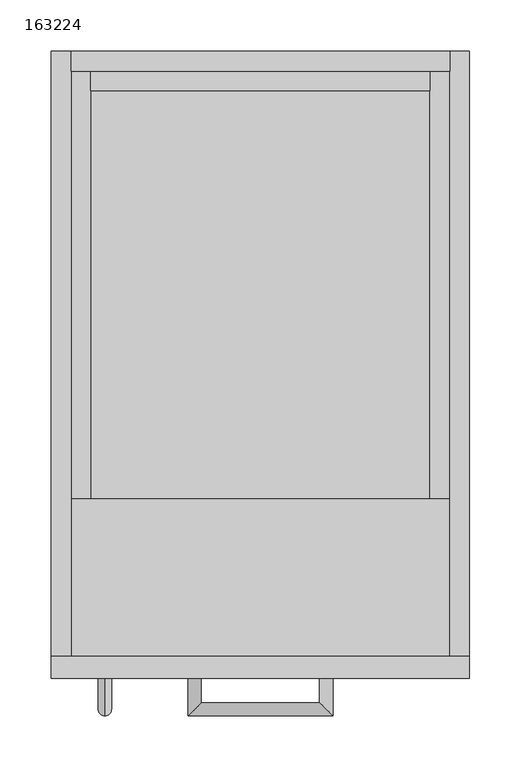
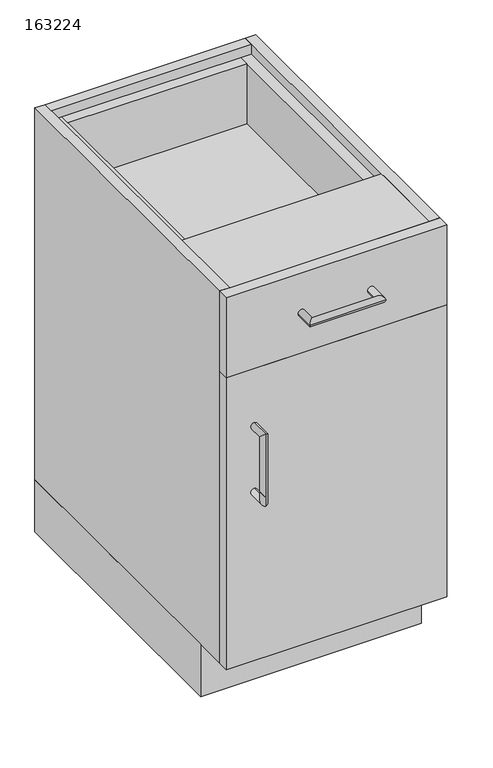
"""IFC4 building model written with IfcOpenShell, lengths in millimetres: furniture geometry, 163224."""

import ifcopenshell
import ifcopenshell.guid

model = None  # the IFC model being written
_history = None  # IfcOwnerHistory: only IFC2X3 demands one
_inside = {}  # id of a spatial element -> (the spatial element, [elements in it])
_under = {}  # id of a project, library or spatial element -> (it, [spatial elements below it])
_declared = {}  # id of a project -> (the project, [libraries it declares])
_typed = {}  # id of a type object -> (the type object, [elements of that type])
_made_of = {}  # id of a material, layer set ... -> (it, [elements and type objects made of it])


def new_model(schema):
    """Start an empty IFC model of exactly this schema.

    Asked for "IFC4X3", IfcOpenShell would pick the latest addendum, in which some entities
    have other attributes; the version numbers below select the first issue.
    IFC2X3 requires an IfcOwnerHistory on every rooted entity: one is made here for all.
    """
    global model, _history
    if schema == "IFC4X3":
        model = ifcopenshell.file(schema_version=(4, 3, 0, 0))
    else:
        model = ifcopenshell.file(schema=schema)
    _inside.clear()
    _under.clear()
    _declared.clear()
    _typed.clear()
    _made_of.clear()
    _history = None
    if model.schema == "IFC2X3":
        org = make("IfcOrganization", Name="unknown")
        user = make(
            "IfcPersonAndOrganization",
            ThePerson=make("IfcPerson", FamilyName="unknown"),
            TheOrganization=org,
        )
        app = make(
            "IfcApplication",
            ApplicationDeveloper=org,
            Version="unknown",
            ApplicationFullName="unknown",
            ApplicationIdentifier="unknown",
        )
        _history = make(
            "IfcOwnerHistory",
            OwningUser=user,
            OwningApplication=app,
            ChangeAction="ADDED",
            CreationDate=0,
        )
    return model


def make(cls, **values):
    """One entity of the class cls with the attributes given. An attribute that is None is left unset."""
    return model.create_entity(
        cls, **{name: value for name, value in values.items() if value is not None}
    )


def rooted(cls, **values):
    """An entity with a GlobalId (a new one), such as an element, a storey or a relation."""
    return make(cls, GlobalId=ifcopenshell.guid.new(), OwnerHistory=_history, **values)


def si_unit(unit_type, name, prefix=None):
    """IfcSIUnit, for example si_unit("LENGTHUNIT", "METRE", prefix="MILLI")."""
    return make("IfcSIUnit", UnitType=unit_type, Prefix=prefix, Name=name)


def assignment(units):
    """IfcUnitAssignment: the units of a project."""
    return None if units is None else make("IfcUnitAssignment", Units=units)


def point(xyz):
    """IfcCartesianPoint."""
    return None if xyz is None else make("IfcCartesianPoint", Coordinates=xyz)


def direction(xyz):
    """IfcDirection."""
    return None if xyz is None else make("IfcDirection", DirectionRatios=xyz)


def frame(location, z_axis=None, x_axis=None):
    """IfcAxis2Placement3D, a coordinate frame: its origin and axes. An axis left out is left unset."""
    return make(
        "IfcAxis2Placement3D",
        Location=point(location),
        Axis=direction(z_axis),
        RefDirection=direction(x_axis),
    )


def origin():
    """The frame at (0, 0, 0) with its axes left unset."""
    return frame((0.0, 0.0, 0.0))


def origin_with_axes():
    """The frame at (0, 0, 0) with the z axis (0, 0, 1) and the x axis (1, 0, 0) written out."""
    return frame((0.0, 0.0, 0.0), z_axis=(0.0, 0.0, 1.0), x_axis=(1.0, 0.0, 0.0))


def place(relative_to, where):
    """IfcLocalPlacement: puts the frame where relative to a parent placement (None: the world)."""
    return make(
        "IfcLocalPlacement", PlacementRelTo=relative_to, RelativePlacement=where
    )


def context(
    kind, dimensions, precision=None, world=None, true_north=None, identifier=None
):
    """IfcGeometricRepresentationContext, for example the 3D "Model" context."""
    return make(
        "IfcGeometricRepresentationContext",
        ContextIdentifier=identifier,
        ContextType=kind,
        CoordinateSpaceDimension=dimensions,
        Precision=precision,
        WorldCoordinateSystem=world,
        TrueNorth=true_north,
    )


def project(units=None, contexts=None):
    """IfcProject with its units and contexts."""
    return rooted(
        "IfcProject",
        Name="project",
        RepresentationContexts=contexts,
        UnitsInContext=assignment(units),
    )


def spatial(cls, under=None, at=None, **own):
    """A site, building, storey or space (cls), placed at a placement, below another one or the project."""
    s = rooted(cls, ObjectPlacement=at, **own)
    if under is not None:
        _under.setdefault(under.id(), (under, []))[1].append(s)
    return s


def polyline(points):
    """IfcPolyline through the points."""
    return make("IfcPolyline", Points=[point(p) for p in points])


def circle_curve(where, radius):
    """IfcCircle in the frame where."""
    return make("IfcCircle", Position=where, Radius=radius)


def ellipse_curve(where, semi_axis1, semi_axis2):
    """IfcEllipse in the frame where."""
    return make(
        "IfcEllipse", Position=where, SemiAxis1=semi_axis1, SemiAxis2=semi_axis2
    )


def outline(outer, holes=None, kind="AREA"):
    """IfcArbitraryClosedProfileDef: a profile drawn as a closed curve; with holes, ...WithVoids."""
    if holes is None:
        return make("IfcArbitraryClosedProfileDef", ProfileType=kind, OuterCurve=outer)
    return make(
        "IfcArbitraryProfileDefWithVoids",
        ProfileType=kind,
        OuterCurve=outer,
        InnerCurves=holes,
    )


def extrude(swept, where, along, depth):
    """IfcExtrudedAreaSolid: the profile swept, set in the frame where, extruded along a direction by depth."""
    return make(
        "IfcExtrudedAreaSolid",
        SweptArea=swept,
        Position=where,
        ExtrudedDirection=direction(along),
        Depth=depth,
    )


def shape(context_of_items, identifier, shape_type, items):
    """IfcShapeRepresentation: the items that make up one representation, for example the "Body"."""
    return make(
        "IfcShapeRepresentation",
        ContextOfItems=context_of_items,
        RepresentationIdentifier=identifier,
        RepresentationType=shape_type,
        Items=items,
    )


def source(mapping_origin, context_of_items, identifier, shape_type, items):
    """IfcRepresentationMap: a shape defined once, which mapped items show again and again."""
    return make(
        "IfcRepresentationMap",
        MappingOrigin=mapping_origin,
        MappedRepresentation=shape(context_of_items, identifier, shape_type, items),
    )


def transform(
    local_origin,
    x_axis=None,
    y_axis=None,
    z_axis=None,
    scale=None,
    scale2=None,
    scale3=None,
    uniform=True,
):
    """IfcCartesianTransformationOperator3D, or its non-uniform kind. x_axis, y_axis, z_axis: its Axis1, 2, 3."""
    if uniform:
        return make(
            "IfcCartesianTransformationOperator3D",
            Axis1=direction(x_axis),
            Axis2=direction(y_axis),
            LocalOrigin=point(local_origin),
            Scale=scale,
            Axis3=direction(z_axis),
        )
    return make(
        "IfcCartesianTransformationOperator3DnonUniform",
        Axis1=direction(x_axis),
        Axis2=direction(y_axis),
        LocalOrigin=point(local_origin),
        Scale=scale,
        Axis3=direction(z_axis),
        Scale2=scale2,
        Scale3=scale3,
    )


def mapped(mapping_source, mapping_target):
    """IfcMappedItem: shows the shape of a source again, moved by a transform."""
    return make(
        "IfcMappedItem", MappingSource=mapping_source, MappingTarget=mapping_target
    )


def made_of(thing, what):
    """Note that an element or type object is made of a material, layer set ...; save() writes the relation."""
    if what is not None:
        _made_of.setdefault(what.id(), (what, []))[1].append(thing)
    return thing


def element(
    cls,
    number,
    at=None,
    inside=None,
    cuts=None,
    type_object=None,
    material=None,
    context=None,
    identifier="Body",
    shape_type=None,
    held_by="IfcProductDefinitionShape",
    body=None,
    shapes=None,
    **own,
):
    """One element of the class cls, such as IfcWall. Its Tag is "e" and its number.

    at: its placement. inside: the storey or other place that contains it. cuts: it is an
    opening in that element (IfcRelVoidsElement). A single representation is given by context,
    identifier, shape_type and body (its items); several are given by shapes. held_by: the class
    of the entity that holds the representations. save() writes the other relations.
    """
    e = rooted(cls, Tag="e%d" % number, ObjectPlacement=at, **own)
    if body is not None:
        shapes = [shape(context, identifier, shape_type, body)]
    if shapes is not None:
        e.Representation = make(held_by, Representations=shapes)
    if inside is not None:
        _inside.setdefault(inside.id(), (inside, []))[1].append(e)
    if cuts is not None:
        rooted(
            "IfcRelVoidsElement", RelatingBuildingElement=cuts, RelatedOpeningElement=e
        )
    if type_object is not None:
        _typed.setdefault(type_object.id(), (type_object, []))[1].append(e)
    return made_of(e, material)


def aggregate(whole, parts):
    """IfcRelAggregates: a whole, such as a stair, and the parts it consists of."""
    return rooted("IfcRelAggregates", RelatingObject=whole, RelatedObjects=parts)


def save(model, path):
    """Write the relations noted so far, then the file.

    IfcRelAggregates (storeys below a building ...), IfcRelContainedInSpatialStructure (elements
    in a storey), IfcRelDefinesByType, IfcRelAssociatesMaterial and IfcRelDeclares: one each for
    every whole, place, type object, material and project.
    """
    for whole, parts in _under.values():
        aggregate(whole, parts)
    for where, things in _inside.values():
        rooted(
            "IfcRelContainedInSpatialStructure",
            RelatedElements=things,
            RelatingStructure=where,
        )
    for kind, things in _typed.values():
        rooted("IfcRelDefinesByType", RelatedObjects=things, RelatingType=kind)
    for what, things in _made_of.values():
        rooted("IfcRelAssociatesMaterial", RelatedObjects=things, RelatingMaterial=what)
    for by, libraries in _declared.values():
        rooted("IfcRelDeclares", RelatingContext=by, RelatedDefinitions=libraries)
    model.write(path)


def plane_surface(at):
    """IfcPlane: the flat surface through the origin of the frame at, square to its z axis."""
    return make("IfcPlane", Position=at)


def cylinder_surface(at, radius):
    """IfcCylindricalSurface: all points at the distance radius from the z axis of the frame at."""
    return make("IfcCylindricalSurface", Position=at, Radius=radius)


def advanced_brep(points, edges, surfaces, faces):
    """IfcAdvancedBrep: a solid bounded by faces that lie on surfaces and meet in shared edges.

    An edge is (start, end): straight between two places in points (the first is 0);
    or (start, end, curve); or (start, end, curve, False) where it runs against its curve.
    A face is (place in surfaces, loops), or (place, loops, False) where it looks against
    its surface's normal. A loop lists edges by number (the first is 1), with a minus sign
    where the edge is run from its end to its start. The first loop is the outer one.
    """
    corners = [point(p) for p in points]
    vertices = [make("IfcVertexPoint", VertexGeometry=c) for c in corners]
    made = []
    for start, end, *more in edges:
        made.append(
            make(
                "IfcEdgeCurve",
                EdgeStart=vertices[start],
                EdgeEnd=vertices[end],
                EdgeGeometry=more[0] if more else make("IfcPolyline", Points=[corners[start], corners[end]]),
                SameSense=more[1] if len(more) > 1 else True,
            )
        )
    hull = []
    for where, loops, *sense in faces:
        bounds = []
        for j, loop in enumerate(loops):
            ring = [make("IfcOrientedEdge", EdgeElement=made[abs(k) - 1], Orientation=k > 0) for k in loop]
            bounds.append(
                make(
                    "IfcFaceOuterBound" if j == 0 else "IfcFaceBound",
                    Bound=make("IfcEdgeLoop", EdgeList=ring),
                    Orientation=True,
                )
            )
        hull.append(make("IfcAdvancedFace", Bounds=bounds, FaceSurface=surfaces[where], SameSense=sense[0] if sense else True))
    return make("IfcAdvancedBrep", Outer=make("IfcClosedShell", CfsFaces=hull))


def furniture_163224_2206d695(model_context):
    return source(origin(), model_context, "Body", "SolidModel", [
        extrude(outline(polyline([(-146.0622951, -19.2), (183.5377049, -19.2), (183.5377049, -38.4), (-146.0622951, -38.4), (-146.0622951, -19.2)])), frame((0.0, 0.0, 689.125), z_axis=(0.0, 0.0, 1.0), x_axis=(1.0, 0.0, 0.0)), (0.0, 0.0, 1.0), 117.175),
        extrude(outline(polyline([(806.3, -146.0622951), (806.3, -165.2622951), (669.925, -165.2622951), (669.925, 202.7377049), (806.3, 202.7377049), (806.3, 183.5377049), (689.125, 183.5377049), (689.125, -146.0622951), (806.3, -146.0622951)])), frame((0.0, -587.6, 0.0), z_axis=(0.0, 1.0, 0.0), x_axis=(0.0, 0.0, 1.0)), (0.0, 0.0, 1.0), 568.4),
        extrude(outline(polyline([(-184.4622951, 0.0), (221.9377049, 0.0), (221.9377049, -528.6), (-184.4622951, -528.6), (-184.4622951, 0.0)]), holes=[polyline([(-165.2622951, -509.4), (202.7377049, -509.4), (202.7377049, -19.2), (-165.2622951, -19.2), (-165.2622951, -509.4)])]), origin_with_axes(), (0.0, 0.0, 1.0), 101.5996875),
        extrude(outline(polyline([(202.7377049, -587.6), (-165.2622951, -587.6), (-165.2622951, -19.2), (202.7377049, -19.2), (202.7377049, -587.6)])), frame((0.0, 0.0, 101.5996875), z_axis=(0.0, 0.0, 1.0), x_axis=(1.0, 0.0, 0.0)), (0.0, 0.0, 1.0), 19.2),
        extrude(outline(polyline([(202.7377049, 0.0), (202.7377049, -19.2), (-165.2622951, -19.2), (-165.2622951, 0.0), (202.7377049, 0.0)])), frame((0.0, 0.0, 101.5996875), z_axis=(0.0, 0.0, 1.0), x_axis=(1.0, 0.0, 0.0)), (0.0, 0.0, 1.0), 723.9003125),
        extrude(outline(polyline([(-165.2622951, 0.0), (-165.2622951, -587.6), (-184.4622951, -587.6), (-184.4622951, 0.0), (-165.2622951, 0.0)])), frame((0.0, 0.0, 101.5996875), z_axis=(0.0, 0.0, 1.0), x_axis=(1.0, 0.0, 0.0)), (0.0, 0.0, 1.0), 723.9003125),
        extrude(outline(polyline([(221.9377049, 0.0), (221.9377049, -587.6), (202.7377049, -587.6), (202.7377049, 0.0), (221.9377049, 0.0)])), frame((0.0, 0.0, 101.5996875), z_axis=(0.0, 0.0, 1.0), x_axis=(1.0, 0.0, 0.0)), (0.0, 0.0, 1.0), 723.9003125),
        extrude(outline(polyline([(-165.2622951, -587.6), (-165.2622951, -435.2), (202.7377049, -435.2), (202.7377049, -587.6), (-165.2622951, -587.6)])), frame((0.0, 0.0, 806.3), z_axis=(0.0, 0.0, 1.0), x_axis=(1.0, 0.0, 0.0)), (0.0, 0.0, 1.0), 19.2),
        extrude(outline(polyline([(202.7377049, -19.2), (202.7377049, -587.6), (-165.2622951, -587.6), (-165.2622951, -19.2), (202.7377049, -19.2)])), frame((0.0, 0.0, 385.7623437), z_axis=(0.0, 0.0, 1.0), x_axis=(1.0, 0.0, 0.0)), (0.0, 0.0, 1.0), 19.2),
        advanced_brep(
        [(-132.4622951, -609.6, 551.575), (-132.4622951, -609.6, 564.275), (-132.4622951, -633.25, 551.575), (-132.4622951, -645.95, 564.275), (-132.4622951, -633.25, 436.275), (-132.4622951, -645.95, 423.575), (-132.4622951, -609.6, 436.275), (-132.4622951, -609.6, 423.575)],
        [
            (0, 1, circle_curve(frame((-132.4622951, -609.6, 557.925), z_axis=(0.0, 1.0, 0.0), x_axis=(0.0, 0.0, 1.0)), 6.35)),
            (1, 0, circle_curve(frame((-132.4622951, -609.6, 557.925), z_axis=(0.0, 1.0, 0.0), x_axis=(0.0, 0.0, 1.0)), 6.35)),
            (0, 2),
            (2, 3, ellipse_curve(frame((-132.4622951, -639.6, 557.925), z_axis=(0.0, 0.7071067811865475, 0.7071067811865475), x_axis=(0.0, 0.7071067811865476, -0.7071067811865474)), 8.9802561, 6.35)),
            (3, 1),
            (3, 2, ellipse_curve(frame((-132.4622951, -639.6, 557.925), z_axis=(0.0, 0.7071067811865475, 0.7071067811865475), x_axis=(0.0, 0.7071067811865476, -0.7071067811865474)), 8.9802561, 6.35)),
            (2, 4),
            (4, 5, ellipse_curve(frame((-132.4622951, -639.6, 429.925), z_axis=(0.0, -0.7071067811865475, 0.7071067811865475), x_axis=(0.0, 0.7071067811865474, 0.7071067811865476)), 8.9802561, 6.35)),
            (5, 3),
            (5, 4, ellipse_curve(frame((-132.4622951, -639.6, 429.925), z_axis=(0.0, -0.7071067811865475, 0.7071067811865475), x_axis=(0.0, 0.7071067811865474, 0.7071067811865476)), 8.9802561, 6.35)),
            (6, 7, circle_curve(frame((-132.4622951, -609.6, 429.925), z_axis=(0.0, 1.0, 0.0), x_axis=(0.0, 0.0, -1.0)), 6.35)),
            (7, 6, circle_curve(frame((-132.4622951, -609.6, 429.925), z_axis=(0.0, 1.0, 0.0), x_axis=(0.0, 0.0, -1.0)), 6.35)),
            (4, 6),
            (7, 5),
        ],
        [
            plane_surface(frame((-132.4622951, -609.6, 557.925), z_axis=(0.0, 1.0, 0.0), x_axis=(-1.0, 0.0, 0.0))),
            cylinder_surface(frame((-132.4622951, -609.6, 557.925), z_axis=(0.0, 1.0, 0.0), x_axis=(0.0, 0.0, 1.0)), 6.35),
            cylinder_surface(frame((-132.4622951, -639.6, 557.925), z_axis=(0.0, 0.0, 1.0), x_axis=(0.0, -1.0, 0.0)), 6.35),
            plane_surface(frame((-132.4622951, -609.6, 429.925), z_axis=(0.0, 1.0, 0.0), x_axis=(-1.0, 0.0, 0.0))),
            cylinder_surface(frame((-132.4622951, -639.6, 429.925), z_axis=(0.0, -1.0, 0.0), x_axis=(0.0, 0.0, -1.0)), 6.35),
        ],
        [
            (0, [[1, 2]]),
            (1, [[-1, 3, 4, 5]]),
            (1, [[-2, -5, 6, -3]]),
            (2, [[-4, 7, 8, 9]]),
            (2, [[-6, -9, 10, -7]]),
            (3, [[11, 12]]),
            (4, [[-8, 13, -12, 14]]),
            (4, [[-10, -14, -11, -13]]),
        ],
    ),
        advanced_brep(
        [(-51.6122951, -609.6, 747.7125), (-38.9122951, -609.6, 747.7125), (-51.6122951, -645.95, 747.7125), (-38.9122951, -633.25, 747.7125), (89.0877049, -645.95, 747.7125), (76.3877049, -633.25, 747.7125), (89.0877049, -609.6, 747.7125), (76.3877049, -609.6, 747.7125)],
        [
            (0, 1, circle_curve(frame((-45.2622951, -609.6, 747.7125), z_axis=(0.0, 1.0, 0.0), x_axis=(1.0, 0.0, 0.0)), 6.35)),
            (1, 0, circle_curve(frame((-45.2622951, -609.6, 747.7125), z_axis=(0.0, 1.0, 0.0), x_axis=(1.0, 0.0, 0.0)), 6.35)),
            (0, 2),
            (2, 3, ellipse_curve(frame((-45.2622951, -639.6, 747.7125), z_axis=(-0.7071067811865475, 0.7071067811865475, 0.0), x_axis=(0.7071067811865474, 0.7071067811865476, 0.0)), 8.9802561, 6.35)),
            (3, 1),
            (3, 2, ellipse_curve(frame((-45.2622951, -639.6, 747.7125), z_axis=(-0.7071067811865475, 0.7071067811865475, 0.0), x_axis=(0.7071067811865474, 0.7071067811865476, 0.0)), 8.9802561, 6.35)),
            (2, 4),
            (4, 5, ellipse_curve(frame((82.7377049, -639.6, 747.7125), z_axis=(-0.7071067811865475, -0.7071067811865475, 0.0), x_axis=(-0.7071067811865476, 0.7071067811865474, 0.0)), 8.9802561, 6.35)),
            (5, 3),
            (5, 4, ellipse_curve(frame((82.7377049, -639.6, 747.7125), z_axis=(-0.7071067811865475, -0.7071067811865475, 0.0), x_axis=(-0.7071067811865476, 0.7071067811865474, 0.0)), 8.9802561, 6.35)),
            (6, 7, circle_curve(frame((82.7377049, -609.6, 747.7125), z_axis=(0.0, 1.0, 0.0), x_axis=(-1.0, 0.0, 0.0)), 6.35)),
            (7, 6, circle_curve(frame((82.7377049, -609.6, 747.7125), z_axis=(0.0, 1.0, 0.0), x_axis=(-1.0, 0.0, 0.0)), 6.35)),
            (4, 6),
            (7, 5),
        ],
        [
            plane_surface(frame((-45.2622951, -609.6, 747.7125), z_axis=(0.0, 1.0, 0.0), x_axis=(0.0, 0.0, 1.0))),
            cylinder_surface(frame((-45.2622951, -609.6, 747.7125), z_axis=(0.0, 1.0, 0.0), x_axis=(1.0, 0.0, 0.0)), 6.35),
            cylinder_surface(frame((-45.2622951, -639.6, 747.7125), z_axis=(-1.0, 0.0, 0.0), x_axis=(0.0, 1.0, 0.0)), 6.35),
            plane_surface(frame((82.7377049, -609.6, 747.7125), z_axis=(0.0, 1.0, 0.0), x_axis=(0.0, 0.0, 1.0))),
            cylinder_surface(frame((82.7377049, -639.6, 747.7125), z_axis=(0.0, -1.0, 0.0), x_axis=(-1.0, 0.0, 0.0)), 6.35),
        ],
        [
            (0, [[1, 2]]),
            (1, [[-1, 3, 4, 5]]),
            (1, [[-2, -5, 6, -3]]),
            (2, [[-4, 7, 8, 9]]),
            (2, [[-6, -9, 10, -7]]),
            (3, [[11, 12]]),
            (4, [[-8, 13, -12, 14]]),
            (4, [[-10, -14, -11, -13]]),
        ],
    ),
        extrude(outline(polyline([(-184.4622951, -609.6), (-184.4622951, -587.6), (221.9377049, -587.6), (221.9377049, -609.6), (-184.4622951, -609.6)])), frame((0.0, 0.0, 669.925), z_axis=(0.0, 0.0, 1.0), x_axis=(1.0, 0.0, 0.0)), (0.0, 0.0, 1.0), 155.575),
        extrude(outline(polyline([(-184.4622951, -587.6), (221.9377049, -587.6), (221.9377049, -609.6), (-184.4622951, -609.6), (-184.4622951, -587.6)])), frame((0.0, 0.0, 101.5996875), z_axis=(0.0, 0.0, 1.0), x_axis=(1.0, 0.0, 0.0)), (0.0, 0.0, 1.0), 568.3253125),
    ])


if __name__ == "__main__":
    model = new_model("IFC4")
    model_context = context("Model", 3, world=origin())
    ifc_project = project(units=[si_unit("LENGTHUNIT", "METRE", prefix="MILLI")], contexts=[model_context])
    site = spatial("IfcSite", under=ifc_project)
    building = spatial("IfcBuilding", under=site)
    placement = place(None, origin())
    furniture_163224_shape = furniture_163224_2206d695(model_context)
    element("IfcFurniture", 1, ObjectType="163224", at=placement, inside=building, context=model_context, shape_type="MappedRepresentation", body=[
        mapped(furniture_163224_shape, transform((0.0, 0.0, 0.0), x_axis=(1.0, 0.0, 0.0), y_axis=(0.0, 1.0, 0.0), z_axis=(0.0, 0.0, 1.0))),
    ])
    save(model, "model.ifc")
